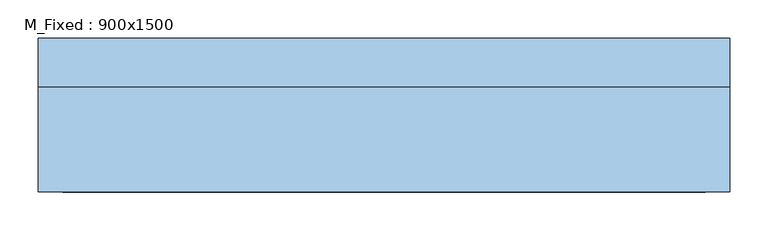
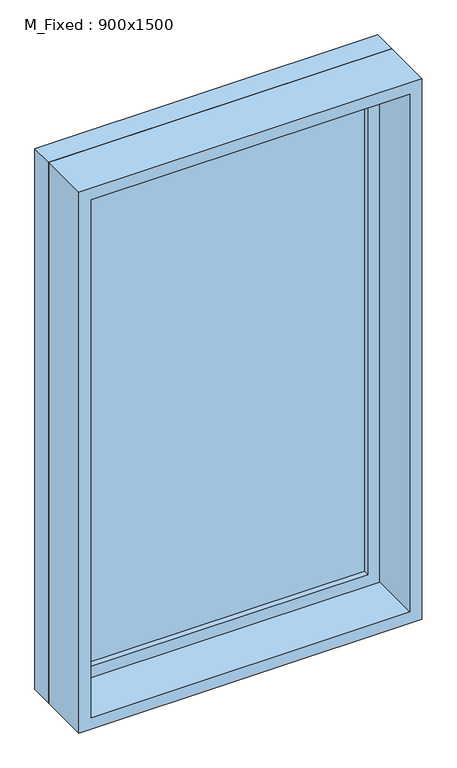
"""IFC4 building model written with IfcOpenShell, lengths in millimetres: window geometry, M_Fixed : 900x1500."""

from ifc_helpers import new_model, si_unit, frame, origin, place, context, project, spatial, polyline, outline, extrude, source, transform, mapped, element, save


def m_fixed_900x1500_d8bef4e1(model_context):
    return source(origin(), model_context, "Body", "SweptSolid", [
        extrude(outline(polyline([(-387.0, 78.0), (387.0, 78.0), (387.0, 66.0), (-387.0, 66.0), (-387.0, 78.0)])), frame((0.0, 0.0, 368.0), z_axis=(0.0, 0.0, 1.0), x_axis=(1.0, 0.0, 0.0)), (0.0, 0.0, 1.0), 1374.0),
        extrude(outline(polyline([(1786.0, -431.0), (324.0, -431.0), (324.0, 431.0), (1786.0, 431.0), (1786.0, -431.0)]), holes=[polyline([(1742.0, -387.0), (1742.0, 387.0), (368.0, 387.0), (368.0, -387.0), (1742.0, -387.0)])]), frame((0.0, 50.0, 0.0), z_axis=(0.0, 1.0, 0.0), x_axis=(0.0, 0.0, 1.0)), (0.0, 0.0, 1.0), 44.0),
        extrude(outline(polyline([(1805.0, -450.0), (305.0, -450.0), (305.0, 450.0), (1805.0, 450.0), (1805.0, -450.0)]), holes=[polyline([(1786.0, -431.0), (1786.0, 431.0), (324.0, 431.0), (324.0, -431.0), (1786.0, -431.0)])]), frame((0.0, 50.0, 0.0), z_axis=(0.0, 1.0, 0.0), x_axis=(0.0, 0.0, 1.0)), (0.0, 0.0, 1.0), 63.0),
        extrude(outline(polyline([(1805.0, -450.0), (305.0, -450.0), (305.0, 450.0), (1805.0, 450.0), (1805.0, -450.0)]), holes=[polyline([(1773.0, -418.0), (1773.0, 418.0), (337.0, 418.0), (337.0, -418.0), (1773.0, -418.0)])]), frame((0.0, -87.0, 0.0), z_axis=(0.0, 1.0, 0.0), x_axis=(0.0, 0.0, 1.0)), (0.0, 0.0, 1.0), 137.0),
    ])


if __name__ == "__main__":
    model = new_model("IFC4")
    model_context = context("Model", 3, world=origin())
    ifc_project = project(units=[si_unit("LENGTHUNIT", "METRE", prefix="MILLI")], contexts=[model_context])
    site = spatial("IfcSite", under=ifc_project)
    building = spatial("IfcBuilding", under=site)
    placement = place(None, origin())
    m_fixed_900x1500_shape = m_fixed_900x1500_d8bef4e1(model_context)
    element("IfcWindow", 1, ObjectType="M_Fixed : 900x1500", at=placement, inside=building, context=model_context, shape_type="MappedRepresentation", body=[
        mapped(m_fixed_900x1500_shape, transform((0.0, 0.0, 0.0), x_axis=(1.0, 0.0, 0.0), y_axis=(0.0, 1.0, 0.0), z_axis=(0.0, 0.0, 1.0))),
    ])
    save(model, "model.ifc")
